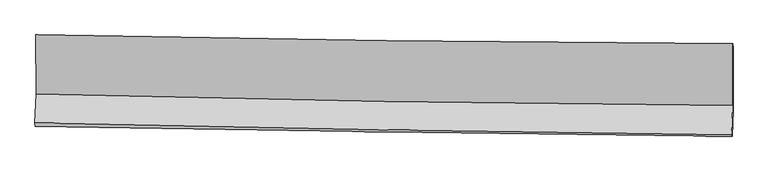
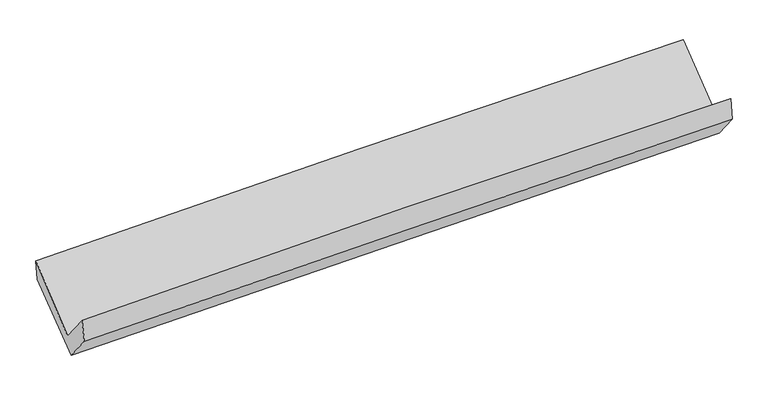
"""IFC4 building model written with IfcOpenShell, lengths in millimetres: proxy geometry."""

from ifc_helpers import new_model, si_unit, frame, origin, place, context, project, spatial, source, transform, mapped, element, save
from ifc_brep_helpers import plane_surface, spline_curve, spline_surface, advanced_brep


def generic_models_bb75148c(model_context):
    return source(origin(), model_context, "Body", "AdvancedBrep", [
        advanced_brep(
        [(-3012.0399972, -1160.7977684, 2159.3073607), (-3010.7671623, -1673.2829605, 1726.2913964), (3000.6097635, -1769.9038892, 1872.9767211), (3000.74714, -1236.3764456, 2291.2557541), (-3020.958621, -1924.0287387, 2037.9637452), (2990.211302, -2025.7512647, 2191.0182163), (-3017.5047828, -1955.3030162, 1848.0929445), (2993.9724683, -2037.5465463, 1992.8344394), (-3008.2271641, -1726.4788154, 1564.7747525), (3003.0401481, -1813.9002999, 1715.9273206), (-3008.7445236, -1178.617747, 1986.8535439), (3003.310802, -1274.3179878, 2132.3419654)],
        [
            (0, 1),
            (1, 2, spline_curve(3, [(-3010.7671623, -1673.2829605, 1726.2913964), (-2009.543769806, -1699.201305009, 1775.553298553), (-1007.975102782, -1720.212276984, 1812.40802373), (995.817230214, -1752.418904844, 1861.302251246), (1998.040872165, -1763.614908994, 1873.342634546), (3000.6097635, -1769.9038892, 1872.9767211)], [4, 2, 4], [0.0, 9.86687190538243, 19.733393723699603])),
            (2, 3),
            (3, 0, spline_curve(3, [(3000.74714, -1236.3764456, 2291.2557541), (1998.152300699, -1231.663787621, 2285.172087333), (995.798171571, -1223.009417011, 2271.134890483), (-1008.464224678, -1197.816804251, 2227.152657235), (-2010.372474437, -1181.278282464, 2197.207055986), (-3012.0399972, -1160.7977684, 2159.3073607)], [4, 2, 4], [0.0, 9.866521818317173, 19.733393723699603])),
            (1, 4),
            (4, 5, spline_curve(3, [(-3020.958621, -1924.0287387, 2037.9637452), (-2019.585956167, -1946.27122309, 2082.669918783), (-1017.959905158, -1965.869445747, 2117.777600991), (985.763420415, -1999.776766708, 2168.795076916), (1987.860677329, -2014.086052704, 2184.705551746), (2990.211302, -2025.7512647, 2191.0182163)], [4, 2, 4], [0.0, 9.866361103558454, 19.73237213817544])),
            (5, 2),
            (4, 6),
            (6, 7, spline_curve(3, [(-3017.5047828, -1955.3030162, 1848.0929445), (-2015.75519671, -1971.546512862, 1877.358263857), (-1013.915077501, -1986.521987944, 1904.052883214), (989.91067954, -2013.936407701, 1952.299866043), (1991.89631035, -2026.375442792, 1973.852411656), (2993.9724683, -2037.5465463, 1992.8344394)], [4, 2, 4], [0.0, 9.865648744689198, 19.730947445712175])),
            (7, 5),
            (6, 8),
            (8, 9, spline_curve(3, [(-3008.2271641, -1726.4788154, 1564.7747525), (-2006.410178613, -1741.059958719, 1591.981832627), (-1004.553855204, -1755.635783047, 1618.181625717), (999.201918284, -1784.776277776, 1668.565743826), (2001.101365849, -1799.340947783, 1692.750140112), (3003.0401481, -1813.9002999, 1715.9273206)], [4, 2, 4], [0.0, 9.865338529584152, 19.730327026508846])),
            (9, 7),
            (8, 10),
            (10, 11, spline_curve(3, [(-3008.7445236, -1178.617747, 1986.8535439), (-2006.795865386, -1207.892573073, 2003.075152254), (-1004.808037099, -1230.505029551, 2023.310277968), (999.210407519, -1262.404636723, 2071.806703264), (2001.241021006, -1271.6922607, 2100.067718055), (3003.310802, -1274.3179878, 2132.3419654)], [4, 2, 4], [0.0, 9.86603393418234, 19.73171781103153])),
            (11, 9),
            (10, 0),
            (3, 11),
        ],
        [
            spline_surface(3, 3, [[(-3012.0399972, -1160.7977684, 2159.3073607), (-2010.372474427, -1181.278282423, 2197.207056087), (-1008.464224618, -1197.816804297, 2227.152657175), (995.798171511, -1223.009416965, 2271.134890543), (1998.152300808, -1231.663787501, 2285.17208726), (3000.74714, -1236.3764456, 2291.2557541)], [(-3011.615718899, -1331.626165772, 2014.96870593), (-2010.096239507, -1353.919289909, 2056.655803606), (-1008.301184005, -1371.948628488, 2088.904445971), (995.804524446, -1399.479246269, 2134.524010817), (1998.115157896, -1408.980828048, 2147.895603068), (3000.701347845, -1414.218926815, 2151.829409759)], [(-3011.191440601, -1502.454563128, 1870.63005117), (-2009.820004591, -1526.56029738, 1916.104551136), (-1008.138143444, -1546.080452719, 1950.656234791), (995.810877328, -1575.949075613, 1997.913131115), (1998.07801495, -1586.29786855, 2010.619118899), (3000.655555655, -1592.061407985, 2012.403065441)], [(-3010.7671623, -1673.2829605, 1726.2913964), (-2009.543769671, -1699.201304866, 1775.553298656), (-1007.97510283, -1720.21227691, 1812.408023587), (995.817230262, -1752.418904917, 1861.302251389), (1998.040872038, -1763.614909097, 1873.342634706), (3000.6097635, -1769.9038892, 1872.9767211)]], [4, 4], [4, 2, 4], [0.0, 2.192414586385695], [0.0, 9.86687190538243, 19.733393723699603]),
            spline_surface(3, 3, [[(-3010.7671623, -1673.2829605, 1726.2913964), (-2009.543769671, -1699.201304866, 1775.553298656), (-1007.97510283, -1720.21227691, 1812.408023587), (995.817230262, -1752.418904917, 1861.302251389), (1998.040872038, -1763.614909097, 1873.342634706), (3000.6097635, -1769.9038892, 1872.9767211)], [(-3014.164315209, -1756.864886561, 1830.182179328), (-2012.891165128, -1781.557944218, 1877.925505394), (-1011.303370283, -1802.097999841, 1914.197882713), (992.465960324, -1834.871525526, 1963.799859889), (1994.647473785, -1847.105290273, 1977.130273758), (2997.143609656, -1855.186347702, 1978.990552846)], [(-3017.561468091, -1840.446812639, 1934.072962272), (-2016.238560556, -1863.914583588, 1980.297712148), (-1014.631637737, -1883.983722776, 2015.987741864), (989.114690385, -1917.324146139, 2066.297468416), (1991.254075565, -1930.595671445, 2080.917912773), (2993.677455844, -1940.468806198, 2085.004384554)], [(-3020.958621, -1924.0287387, 2037.9637452), (-2019.585956013, -1946.27122294, 2082.669918887), (-1017.95990519, -1965.869445708, 2117.77760099), (985.763420447, -1999.776766748, 2168.795076917), (1987.860677311, -2014.086052622, 2184.705551826), (2990.211302, -2025.7512647, 2191.0182163)]], [4, 4], [4, 2, 4], [0.0, 1.2906941937795204], [0.0, 9.866361103558454, 19.73237213817544]),
            spline_surface(3, 3, [[(-3020.958621, -1924.0287387, 2037.9637452), (-2019.585956013, -1946.27122294, 2082.669918887), (-1017.95990519, -1965.869445708, 2117.77760099), (985.763420447, -1999.776766748, 2168.795076917), (1987.860677311, -2014.086052622, 2184.705551826), (2990.211302, -2025.7512647, 2191.0182163)], [(-3019.807341612, -1934.453497893, 1974.673478316), (-2018.309036308, -1954.6963196, 2014.232700614), (-1016.611629247, -1972.753626419, 2046.536028478), (987.145840107, -2004.496647125, 2096.630006608), (1989.205888301, -2018.18251606, 2114.421171727), (2991.465024093, -2029.68302523, 2124.956957328)], [(-3018.656062188, -1944.878257007, 1911.383211384), (-2017.032116567, -1963.121416183, 1945.795482294), (-1015.263353317, -1979.637807093, 1975.294455872), (988.528259753, -2009.216527464, 2024.464936206), (1990.55109931, -2022.278979508, 2044.136791644), (2992.718746207, -2033.61478577, 2058.895698372)], [(-3017.5047828, -1955.3030162, 1848.0929445), (-2015.755196862, -1971.546512843, 1877.358264021), (-1013.915077374, -1986.521987804, 1904.05288336), (989.910679413, -2013.936407841, 1952.299865897), (1991.8963103, -2026.375442946, 1973.852411546), (2993.9724683, -2037.5465463, 1992.8344394)]], [4, 4], [4, 2, 4], [0.0, 0.7081754217437854], [0.0, 9.865648744689198, 19.730947445712175]),
            spline_surface(3, 3, [[(-3017.5047828, -1955.3030162, 1848.0929445), (-2015.755196862, -1971.546512843, 1877.358264021), (-1013.915077374, -1986.521987804, 1904.05288336), (989.910679413, -2013.936407841, 1952.299865897), (1991.8963103, -2026.375442946, 1973.852411546), (2993.9724683, -2037.5465463, 1992.8344394)], [(-3014.412243235, -1879.028282579, 1753.653547155), (-2012.640190733, -1894.717661427, 1782.23278692), (-1010.794670003, -1909.559919579, 1808.762464154), (993.007759035, -1937.549697762, 1857.721825142), (1994.964662142, -1950.697277954, 1880.151654365), (2996.995028251, -1962.997797513, 1900.532066464)], [(-3011.319703665, -1802.753549021, 1659.214149845), (-2009.525184599, -1817.888810075, 1687.107309856), (-1007.6742626, -1832.597851399, 1713.472045034), (996.104838689, -1861.162987727, 1763.143784471), (1998.033013931, -1875.019112923, 1786.450897192), (3000.017588149, -1888.449048687, 1808.229693536)], [(-3008.2271641, -1726.4788154, 1564.7747525), (-2006.41017847, -1741.05995866, 1591.981832755), (-1004.553855229, -1755.635783175, 1618.181625828), (999.20191831, -1784.776277648, 1668.565743715), (2001.101365773, -1799.340947931, 1692.750140012), (3003.0401481, -1813.9002999, 1715.9273206)]], [4, 4], [4, 2, 4], [0.0, 1.2014785278447795], [0.0, 9.865338529584152, 19.730327026508846]),
            spline_surface(3, 3, [[(-3008.2271641, -1726.4788154, 1564.7747525), (-2006.41017847, -1741.05995866, 1591.981832755), (-1004.553855229, -1755.635783175, 1618.181625828), (999.20191831, -1784.776277648, 1668.565743715), (2001.101365773, -1799.340947931, 1692.750140012), (3003.0401481, -1813.9002999, 1715.9273206)], [(-3008.399617257, -1543.858459283, 1705.467682962), (-2006.538740816, -1563.337496797, 1729.01293928), (-1004.638582524, -1580.592198604, 1753.224509877), (999.204748051, -1610.652397419, 1802.979396903), (2001.147917502, -1623.458052215, 1828.522666052), (3003.130366062, -1634.039529196, 1854.732202195)], [(-3008.572070443, -1361.238103117, 1846.160613438), (-2006.667303193, -1385.615034887, 1866.044045818), (-1004.723309818, -1405.548613959, 1888.267393916), (999.207577793, -1436.528517115, 1937.39305008), (2001.194469244, -1447.57515651, 1964.295192106), (3003.220584038, -1454.178758504, 1993.537083805)], [(-3008.7445236, -1178.617747, 1986.8535439), (-2006.79586554, -1207.892573025, 2003.075152342), (-1004.808037113, -1230.505029389, 2023.310277966), (999.210407534, -1262.404636885, 2071.806703267), (2001.241020972, -1271.692260793, 2100.067718146), (3003.310802, -1274.3179878, 2132.3419654)]], [4, 4], [4, 2, 4], [0.0, 2.170519884805759], [0.0, 9.86603393418234, 19.73171781103153]),
            spline_surface(3, 3, [[(-3008.7445236, -1178.617747, 1986.8535439), (-2006.79586554, -1207.892573025, 2003.075152342), (-1004.808037113, -1230.505029389, 2023.310277966), (999.210407534, -1262.404636885, 2071.806703267), (2001.241020972, -1271.692260793, 2100.067718146), (3003.310802, -1274.3179878, 2132.3419654)], [(-3009.843014788, -1172.677754114, 2044.338149509), (-2007.98806849, -1199.021142805, 2067.785786933), (-1006.026766293, -1219.60895435, 2091.257737713), (998.072995514, -1249.272896904, 2138.249432369), (2000.211447577, -1258.34943634, 2161.769174526), (3002.456247992, -1261.670807044, 2185.313228308)], [(-3010.941506012, -1166.737761286, 2101.822755091), (-2009.180271476, -1190.149712643, 2132.496421496), (-1007.245495438, -1208.712879336, 2159.205197428), (996.935583531, -1236.141156946, 2204.69216144), (1999.181874204, -1245.006611955, 2223.470630881), (3001.601694008, -1249.023626356, 2238.284491192)], [(-3012.0399972, -1160.7977684, 2159.3073607), (-2010.372474427, -1181.278282423, 2197.207056087), (-1008.464224618, -1197.816804297, 2227.152657175), (995.798171511, -1223.009416965, 2271.134890543), (1998.152300808, -1231.663787501, 2285.17208726), (3000.74714, -1236.3764456, 2291.2557541)]], [4, 4], [4, 2, 4], [0.0, 0.6719569123043674], [0.0, 9.86685215687916, 19.73335422739376]),
            plane_surface(frame((2998.648604, -1692.9660723, 2032.7257361), z_axis=(0.9996756533291302, -0.01587182341657556, 0.019916660423118238), x_axis=(0.000397098178852123, 0.7916647936967542, 0.6109555603594358))),
            plane_surface(frame((-3013.0403752, -1603.084841, 1887.2139572), z_axis=(-0.9996747793861549, 0.014964536001319709, -0.020649409713308864), x_axis=(0.019004667871511314, -0.1027660423607848, -0.994523988215767))),
        ],
        [
            (0, [[1, 2, 3, 4]]),
            (1, [[5, 6, 7, -2]]),
            (2, [[8, 9, 10, -6]]),
            (3, [[11, 12, 13, -9]]),
            (4, [[14, 15, 16, -12]]),
            (5, [[17, -4, 18, -15]]),
            (6, [[-16, -18, -3, -7, -10, -13]]),
            (7, [[-17, -14, -11, -8, -5, -1]]),
        ],
    ),
    ])


if __name__ == "__main__":
    model = new_model("IFC4")
    model_context = context("Model", 3, world=origin())
    ifc_project = project(units=[si_unit("LENGTHUNIT", "METRE", prefix="MILLI")], contexts=[model_context])
    site = spatial("IfcSite", under=ifc_project)
    building = spatial("IfcBuilding", under=site)
    placement = place(None, origin())
    generic_models_shape = generic_models_bb75148c(model_context)
    element("IfcBuildingElementProxy", 1, Name="Generic Models", at=placement, inside=building, context=model_context, shape_type="MappedRepresentation", body=[
        mapped(generic_models_shape, transform((0.0, 0.0, 0.0), x_axis=(1.0, 0.0, 0.0), y_axis=(0.0, 1.0, 0.0), z_axis=(0.0, 0.0, 1.0))),
    ])
    save(model, "model.ifc")
